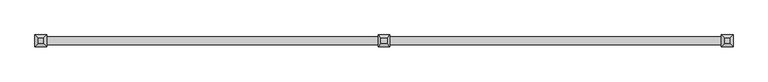
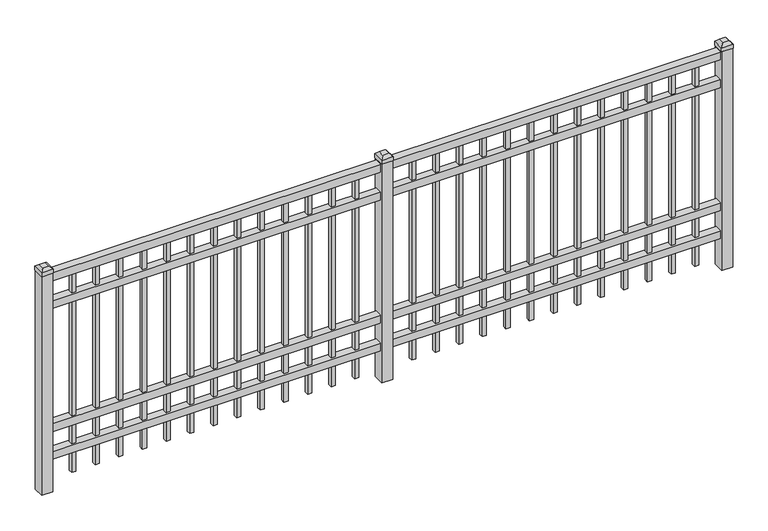
"""IFC4 building model written with IfcOpenShell, lengths in millimetres: railing geometry."""

from ifc_helpers import new_model, si_unit, frame, origin, origin_with_axes, place, context, project, spatial, polyline, outline, extrude, faceted_brep, source, transform, mapped, element, save


def railing_21588505(model_context):
    return source(origin(), model_context, "Body", "SolidModel", [
        extrude(outline(polyline([(-85729.318087, -6748.7195174), (-85729.318087, -6713.7945174), (-82579.718087, -6713.7945174), (-82579.718087, -6748.7195174), (-85729.318087, -6748.7195174)])), frame((0.0, 0.0, 1028.7), z_axis=(0.0, 0.0, 1.0), x_axis=(1.0, 0.0, 0.0)), (0.0, 0.0, 1.0), 38.1),
        extrude(outline(polyline([(-85729.318087, -6748.7195174), (-85729.318087, -6713.7945174), (-82579.718087, -6713.7945174), (-82579.718087, -6748.7195174), (-85729.318087, -6748.7195174)])), frame((0.0, 0.0, 892.175), z_axis=(0.0, 0.0, 1.0), x_axis=(1.0, 0.0, 0.0)), (0.0, 0.0, 1.0), 38.1),
        extrude(outline(polyline([(-85729.318087, -6748.7195174), (-85729.318087, -6713.7945174), (-82579.718087, -6713.7945174), (-82579.718087, -6748.7195174), (-85729.318087, -6748.7195174)])), frame((0.0, 0.0, 288.925), z_axis=(0.0, 0.0, 1.0), x_axis=(1.0, 0.0, 0.0)), (0.0, 0.0, 1.0), 38.1),
        extrude(outline(polyline([(-85729.318087, -6748.7195174), (-85729.318087, -6713.7945174), (-82579.718087, -6713.7945174), (-82579.718087, -6748.7195174), (-85729.318087, -6748.7195174)])), frame((0.0, 0.0, 152.4), z_axis=(0.0, 0.0, 1.0), x_axis=(1.0, 0.0, 0.0)), (0.0, 0.0, 1.0), 38.1),
        extrude(outline(polyline([(-82811.2285036, -6721.7320174), (-82811.2285036, -6740.7820174), (-82830.2785036, -6740.7820174), (-82830.2785036, -6721.7320174), (-82811.2285036, -6721.7320174)])), frame((0.0, 0.0, 50.8), z_axis=(0.0, 0.0, 1.0), x_axis=(1.0, 0.0, 0.0)), (0.0, 0.0, 1.0), 977.9),
        extrude(outline(polyline([(-82920.5014203, -6721.7320174), (-82920.5014203, -6740.7820174), (-82939.5514203, -6740.7820174), (-82939.5514203, -6721.7320174), (-82920.5014203, -6721.7320174)])), frame((0.0, 0.0, 50.8), z_axis=(0.0, 0.0, 1.0), x_axis=(1.0, 0.0, 0.0)), (0.0, 0.0, 1.0), 977.9),
        extrude(outline(polyline([(-83029.774337, -6721.7320174), (-83029.774337, -6740.7820174), (-83048.824337, -6740.7820174), (-83048.824337, -6721.7320174), (-83029.774337, -6721.7320174)])), frame((0.0, 0.0, 50.8), z_axis=(0.0, 0.0, 1.0), x_axis=(1.0, 0.0, 0.0)), (0.0, 0.0, 1.0), 977.9),
        extrude(outline(polyline([(-83139.0472536, -6721.7320174), (-83139.0472536, -6740.7820174), (-83158.0972536, -6740.7820174), (-83158.0972536, -6721.7320174), (-83139.0472536, -6721.7320174)])), frame((0.0, 0.0, 50.8), z_axis=(0.0, 0.0, 1.0), x_axis=(1.0, 0.0, 0.0)), (0.0, 0.0, 1.0), 977.9),
        extrude(outline(polyline([(-83248.3201703, -6721.7320174), (-83248.3201703, -6740.7820174), (-83267.3701703, -6740.7820174), (-83267.3701703, -6721.7320174), (-83248.3201703, -6721.7320174)])), frame((0.0, 0.0, 50.8), z_axis=(0.0, 0.0, 1.0), x_axis=(1.0, 0.0, 0.0)), (0.0, 0.0, 1.0), 977.9),
        extrude(outline(polyline([(-83357.593087, -6721.7320174), (-83357.593087, -6740.7820174), (-83376.643087, -6740.7820174), (-83376.643087, -6721.7320174), (-83357.593087, -6721.7320174)])), frame((0.0, 0.0, 50.8), z_axis=(0.0, 0.0, 1.0), x_axis=(1.0, 0.0, 0.0)), (0.0, 0.0, 1.0), 977.9),
        extrude(outline(polyline([(-83466.8660036, -6721.7320174), (-83466.8660036, -6740.7820174), (-83485.9160036, -6740.7820174), (-83485.9160036, -6721.7320174), (-83466.8660036, -6721.7320174)])), frame((0.0, 0.0, 50.8), z_axis=(0.0, 0.0, 1.0), x_axis=(1.0, 0.0, 0.0)), (0.0, 0.0, 1.0), 977.9),
        extrude(outline(polyline([(-83576.1389203, -6721.7320174), (-83576.1389203, -6740.7820174), (-83595.1889203, -6740.7820174), (-83595.1889203, -6721.7320174), (-83576.1389203, -6721.7320174)])), frame((0.0, 0.0, 50.8), z_axis=(0.0, 0.0, 1.0), x_axis=(1.0, 0.0, 0.0)), (0.0, 0.0, 1.0), 977.9),
        extrude(outline(polyline([(-83685.411837, -6721.7320174), (-83685.411837, -6740.7820174), (-83704.461837, -6740.7820174), (-83704.461837, -6721.7320174), (-83685.411837, -6721.7320174)])), frame((0.0, 0.0, 50.8), z_axis=(0.0, 0.0, 1.0), x_axis=(1.0, 0.0, 0.0)), (0.0, 0.0, 1.0), 977.9),
        extrude(outline(polyline([(-83794.6847536, -6721.7320174), (-83794.6847536, -6740.7820174), (-83813.7347536, -6740.7820174), (-83813.7347536, -6721.7320174), (-83794.6847536, -6721.7320174)])), frame((0.0, 0.0, 50.8), z_axis=(0.0, 0.0, 1.0), x_axis=(1.0, 0.0, 0.0)), (0.0, 0.0, 1.0), 977.9),
        extrude(outline(polyline([(-83903.9576703, -6721.7320174), (-83903.9576703, -6740.7820174), (-83923.0076703, -6740.7820174), (-83923.0076703, -6721.7320174), (-83903.9576703, -6721.7320174)])), frame((0.0, 0.0, 50.8), z_axis=(0.0, 0.0, 1.0), x_axis=(1.0, 0.0, 0.0)), (0.0, 0.0, 1.0), 977.9),
        extrude(outline(polyline([(-82701.955587, -6721.7320174), (-82701.955587, -6740.7820174), (-82721.005587, -6740.7820174), (-82721.005587, -6721.7320174), (-82701.955587, -6721.7320174)])), frame((0.0, 0.0, 50.8), z_axis=(0.0, 0.0, 1.0), x_axis=(1.0, 0.0, 0.0)), (0.0, 0.0, 1.0), 977.9),
        extrude(outline(polyline([(-84013.230587, -6721.7320174), (-84013.230587, -6740.7820174), (-84032.280587, -6740.7820174), (-84032.280587, -6721.7320174), (-84013.230587, -6721.7320174)])), frame((0.0, 0.0, 50.8), z_axis=(0.0, 0.0, 1.0), x_axis=(1.0, 0.0, 0.0)), (0.0, 0.0, 1.0), 977.9),
        faceted_brep([(-84181.505587, -6704.2695174, 1092.2), (-84181.505587, -6704.2695174, 1073.15), (-84181.505587, -6758.2445174, 1073.15), (-84181.505587, -6758.2445174, 1092.2), (-84168.805587, -6716.9695174, 1104.9), (-84168.805587, -6745.5445174, 1104.9), (-84127.530587, -6758.2445174, 1073.15), (-84127.530587, -6758.2445174, 1092.2), (-84140.230587, -6745.5445174, 1104.9), (-84127.530587, -6704.2695174, 1073.15), (-84127.530587, -6704.2695174, 1092.2), (-84140.230587, -6716.9695174, 1104.9)], [[[0, 1, 2, 3]], [[4, 0, 3, 5]], [[3, 2, 6, 7]], [[5, 3, 7, 8]], [[7, 6, 9, 10]], [[8, 7, 10, 11]], [[10, 9, 1, 0]], [[11, 10, 0, 4]], [[5, 8, 11, 4]], [[1, 9, 6, 2]]]),
        extrude(outline(polyline([(-84129.118087, -6705.8570174), (-84129.118087, -6756.6570174), (-84179.918087, -6756.6570174), (-84179.918087, -6705.8570174), (-84129.118087, -6705.8570174)])), origin_with_axes(), (0.0, 0.0, 1.0), 1073.15),
        extrude(outline(polyline([(-84386.0285036, -6721.7320174), (-84386.0285036, -6740.7820174), (-84405.0785036, -6740.7820174), (-84405.0785036, -6721.7320174), (-84386.0285036, -6721.7320174)])), frame((0.0, 0.0, 50.8), z_axis=(0.0, 0.0, 1.0), x_axis=(1.0, 0.0, 0.0)), (0.0, 0.0, 1.0), 977.9),
        extrude(outline(polyline([(-84495.3014203, -6721.7320174), (-84495.3014203, -6740.7820174), (-84514.3514203, -6740.7820174), (-84514.3514203, -6721.7320174), (-84495.3014203, -6721.7320174)])), frame((0.0, 0.0, 50.8), z_axis=(0.0, 0.0, 1.0), x_axis=(1.0, 0.0, 0.0)), (0.0, 0.0, 1.0), 977.9),
        extrude(outline(polyline([(-84604.574337, -6721.7320174), (-84604.574337, -6740.7820174), (-84623.624337, -6740.7820174), (-84623.624337, -6721.7320174), (-84604.574337, -6721.7320174)])), frame((0.0, 0.0, 50.8), z_axis=(0.0, 0.0, 1.0), x_axis=(1.0, 0.0, 0.0)), (0.0, 0.0, 1.0), 977.9),
        extrude(outline(polyline([(-84713.8472536, -6721.7320174), (-84713.8472536, -6740.7820174), (-84732.8972536, -6740.7820174), (-84732.8972536, -6721.7320174), (-84713.8472536, -6721.7320174)])), frame((0.0, 0.0, 50.8), z_axis=(0.0, 0.0, 1.0), x_axis=(1.0, 0.0, 0.0)), (0.0, 0.0, 1.0), 977.9),
        extrude(outline(polyline([(-84823.1201703, -6721.7320174), (-84823.1201703, -6740.7820174), (-84842.1701703, -6740.7820174), (-84842.1701703, -6721.7320174), (-84823.1201703, -6721.7320174)])), frame((0.0, 0.0, 50.8), z_axis=(0.0, 0.0, 1.0), x_axis=(1.0, 0.0, 0.0)), (0.0, 0.0, 1.0), 977.9),
        extrude(outline(polyline([(-84932.393087, -6721.7320174), (-84932.393087, -6740.7820174), (-84951.443087, -6740.7820174), (-84951.443087, -6721.7320174), (-84932.393087, -6721.7320174)])), frame((0.0, 0.0, 50.8), z_axis=(0.0, 0.0, 1.0), x_axis=(1.0, 0.0, 0.0)), (0.0, 0.0, 1.0), 977.9),
        extrude(outline(polyline([(-85041.6660036, -6721.7320174), (-85041.6660036, -6740.7820174), (-85060.7160036, -6740.7820174), (-85060.7160036, -6721.7320174), (-85041.6660036, -6721.7320174)])), frame((0.0, 0.0, 50.8), z_axis=(0.0, 0.0, 1.0), x_axis=(1.0, 0.0, 0.0)), (0.0, 0.0, 1.0), 977.9),
        extrude(outline(polyline([(-85150.9389203, -6721.7320174), (-85150.9389203, -6740.7820174), (-85169.9889203, -6740.7820174), (-85169.9889203, -6721.7320174), (-85150.9389203, -6721.7320174)])), frame((0.0, 0.0, 50.8), z_axis=(0.0, 0.0, 1.0), x_axis=(1.0, 0.0, 0.0)), (0.0, 0.0, 1.0), 977.9),
        extrude(outline(polyline([(-85260.211837, -6721.7320174), (-85260.211837, -6740.7820174), (-85279.261837, -6740.7820174), (-85279.261837, -6721.7320174), (-85260.211837, -6721.7320174)])), frame((0.0, 0.0, 50.8), z_axis=(0.0, 0.0, 1.0), x_axis=(1.0, 0.0, 0.0)), (0.0, 0.0, 1.0), 977.9),
        extrude(outline(polyline([(-85369.4847536, -6721.7320174), (-85369.4847536, -6740.7820174), (-85388.5347536, -6740.7820174), (-85388.5347536, -6721.7320174), (-85369.4847536, -6721.7320174)])), frame((0.0, 0.0, 50.8), z_axis=(0.0, 0.0, 1.0), x_axis=(1.0, 0.0, 0.0)), (0.0, 0.0, 1.0), 977.9),
        extrude(outline(polyline([(-85478.7576703, -6721.7320174), (-85478.7576703, -6740.7820174), (-85497.8076703, -6740.7820174), (-85497.8076703, -6721.7320174), (-85478.7576703, -6721.7320174)])), frame((0.0, 0.0, 50.8), z_axis=(0.0, 0.0, 1.0), x_axis=(1.0, 0.0, 0.0)), (0.0, 0.0, 1.0), 977.9),
        extrude(outline(polyline([(-84276.755587, -6721.7320174), (-84276.755587, -6740.7820174), (-84295.805587, -6740.7820174), (-84295.805587, -6721.7320174), (-84276.755587, -6721.7320174)])), frame((0.0, 0.0, 50.8), z_axis=(0.0, 0.0, 1.0), x_axis=(1.0, 0.0, 0.0)), (0.0, 0.0, 1.0), 977.9),
        extrude(outline(polyline([(-85588.030587, -6721.7320174), (-85588.030587, -6740.7820174), (-85607.080587, -6740.7820174), (-85607.080587, -6721.7320174), (-85588.030587, -6721.7320174)])), frame((0.0, 0.0, 50.8), z_axis=(0.0, 0.0, 1.0), x_axis=(1.0, 0.0, 0.0)), (0.0, 0.0, 1.0), 977.9),
        faceted_brep([(-82606.705587, -6704.2695174, 1092.2), (-82606.705587, -6704.2695174, 1073.15), (-82606.705587, -6758.2445174, 1073.15), (-82606.705587, -6758.2445174, 1092.2), (-82594.005587, -6716.9695174, 1104.9), (-82594.005587, -6745.5445174, 1104.9), (-82552.730587, -6758.2445174, 1073.15), (-82552.730587, -6758.2445174, 1092.2), (-82565.430587, -6745.5445174, 1104.9), (-82552.730587, -6704.2695174, 1073.15), (-82552.730587, -6704.2695174, 1092.2), (-82565.430587, -6716.9695174, 1104.9)], [[[0, 1, 2, 3]], [[4, 0, 3, 5]], [[3, 2, 6, 7]], [[5, 3, 7, 8]], [[7, 6, 9, 10]], [[8, 7, 10, 11]], [[10, 9, 1, 0]], [[11, 10, 0, 4]], [[5, 8, 11, 4]], [[1, 9, 6, 2]]]),
        extrude(outline(polyline([(-82554.318087, -6705.8570174), (-82554.318087, -6756.6570174), (-82605.118087, -6756.6570174), (-82605.118087, -6705.8570174), (-82554.318087, -6705.8570174)])), origin_with_axes(), (0.0, 0.0, 1.0), 1073.15),
        faceted_brep([(-85756.305587, -6704.2695174, 1092.2), (-85756.305587, -6704.2695174, 1073.15), (-85756.305587, -6758.2445174, 1073.15), (-85756.305587, -6758.2445174, 1092.2), (-85743.605587, -6716.9695174, 1104.9), (-85743.605587, -6745.5445174, 1104.9), (-85702.330587, -6758.2445174, 1073.15), (-85702.330587, -6758.2445174, 1092.2), (-85715.030587, -6745.5445174, 1104.9), (-85702.330587, -6704.2695174, 1073.15), (-85702.330587, -6704.2695174, 1092.2), (-85715.030587, -6716.9695174, 1104.9)], [[[0, 1, 2, 3]], [[4, 0, 3, 5]], [[3, 2, 6, 7]], [[5, 3, 7, 8]], [[7, 6, 9, 10]], [[8, 7, 10, 11]], [[10, 9, 1, 0]], [[11, 10, 0, 4]], [[5, 8, 11, 4]], [[1, 9, 6, 2]]]),
        extrude(outline(polyline([(-85703.918087, -6705.8570174), (-85703.918087, -6756.6570174), (-85754.718087, -6756.6570174), (-85754.718087, -6705.8570174), (-85703.918087, -6705.8570174)])), origin_with_axes(), (0.0, 0.0, 1.0), 1073.15),
    ])


if __name__ == "__main__":
    model = new_model("IFC4")
    model_context = context("Model", 3, world=origin())
    ifc_project = project(units=[si_unit("LENGTHUNIT", "METRE", prefix="MILLI")], contexts=[model_context])
    site = spatial("IfcSite", under=ifc_project)
    building = spatial("IfcBuilding", under=site)
    placement = place(None, origin())
    railing_shape = railing_21588505(model_context)
    element("IfcRailing", 1, at=placement, inside=building, context=model_context, shape_type="MappedRepresentation", body=[
        mapped(railing_shape, transform((0.0, 0.0, 0.0), x_axis=(1.0, 0.0, 0.0), y_axis=(0.0, 1.0, 0.0), z_axis=(0.0, 0.0, 1.0))),
    ])
    save(model, "model.ifc")
